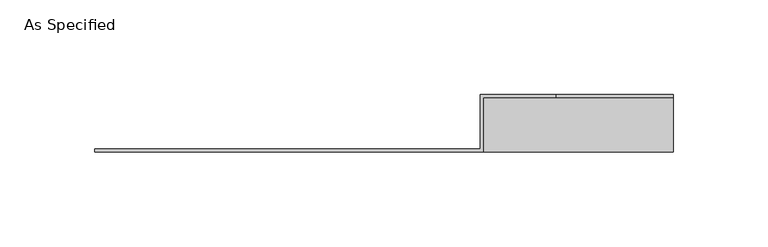
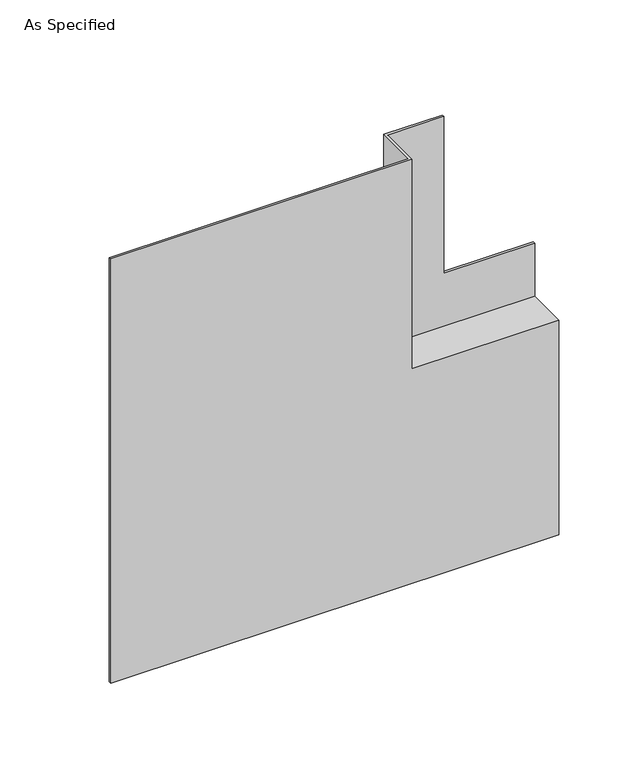
"""IFC4 building model written with IfcOpenShell, lengths in millimetres: proxy geometry, As Specified."""

from ifc_helpers import new_model, si_unit, origin, place, context, project, spatial, faceted_brep, source, transform, mapped, element, save


def as_specified_5210705a(model_context):
    return source(origin(), model_context, "Body", "Brep", [
        faceted_brep([(101.6, 0.0, 0.0), (101.6, 0.0, 152.4), (101.6, 28.575, 152.4), (101.6, 28.575, 192.0875), (101.6, 26.9875, 192.0875), (101.6, 26.9875, 153.9875), (101.6, -1.5875, 153.9875), (101.6, -1.5875, 0.0), (-203.2, -1.5875, 0.0), (-203.2, 0.0, 0.0), (1.5875, -1.5875, 153.9875), (1.5875, -1.5875, 304.8), (-203.2, -1.5875, 304.8), (1.5875, 26.9875, 153.9875), (39.6875, 26.9875, 192.0875), (39.6875, 26.9875, 304.8), (1.5875, 26.9875, 304.8), (39.6875, 28.575, 192.0875), (0.0, 28.575, 152.4), (0.0, 28.575, 304.8), (39.6875, 28.575, 304.8), (0.0, 0.0, 152.4), (-203.2, 0.0, 304.8), (0.0, 0.0, 304.8)], [[[0, 1, 2, 3, 4, 5, 6, 7]], [[7, 8, 9, 0]], [[6, 10, 11, 12, 8, 7]], [[5, 13, 10, 6]], [[4, 14, 15, 16, 13, 5]], [[3, 17, 14, 4]], [[2, 18, 19, 20, 17, 3]], [[1, 21, 18, 2]], [[9, 22, 23, 21, 1, 0]], [[11, 16, 15, 20, 19, 23, 22, 12]], [[10, 13, 16, 11]], [[14, 17, 20, 15]], [[18, 21, 23, 19]], [[9, 8, 12, 22]]]),
    ])


if __name__ == "__main__":
    model = new_model("IFC4")
    model_context = context("Model", 3, world=origin())
    ifc_project = project(units=[si_unit("LENGTHUNIT", "METRE", prefix="MILLI")], contexts=[model_context])
    site = spatial("IfcSite", under=ifc_project)
    building = spatial("IfcBuilding", under=site)
    placement = place(None, origin())
    as_specified_shape = as_specified_5210705a(model_context)
    element("IfcBuildingElementProxy", 1, Name="As Specified", ObjectType="As Specified", at=placement, inside=building, context=model_context, shape_type="MappedRepresentation", body=[
        mapped(as_specified_shape, transform((0.0, 0.0, 0.0), x_axis=(1.0, 0.0, 0.0), y_axis=(0.0, 1.0, 0.0), z_axis=(0.0, 0.0, 1.0))),
    ])
    save(model, "model.ifc")
